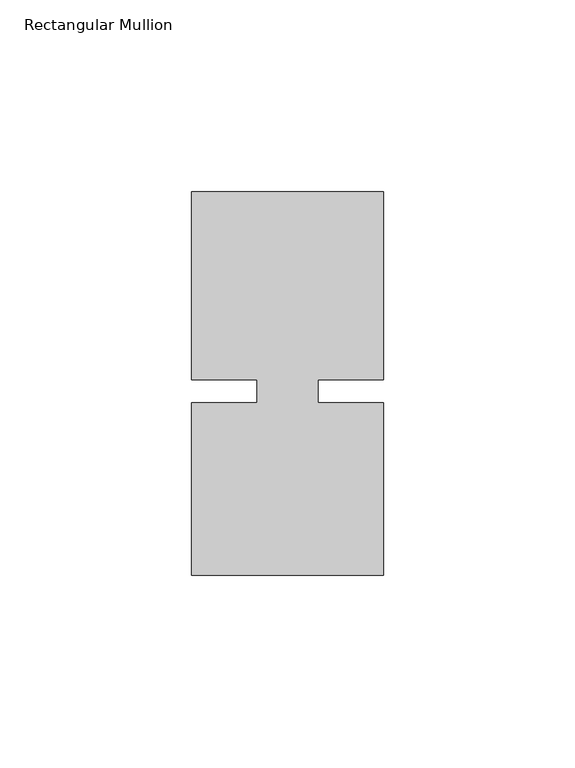
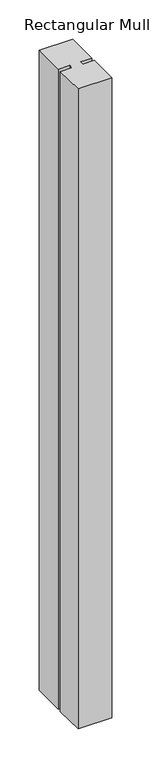
"""IFC4 building model written with IfcOpenShell, lengths in millimetres: member geometry, Rectangular Mullion."""

from ifc_helpers import new_model, si_unit, frame, origin, place, context, project, spatial, polyline, outline, extrude, source, transform, mapped, element, save


def rectangular_mullion_24ca8457(model_context):
    return source(origin(), model_context, "Body", "SweptSolid", [
        extrude(outline(polyline([(8.0004618, -3.0000161), (25.0, -3.000024), (24.9999791, -48.000024), (-25.0000209, -48.0000007), (-25.0, -3.0000007), (-8.0004617, -3.0000086), (-8.0004589, 3.0000086), (-24.9999972, 3.0000166), (-24.9999743, 51.9999993), (25.0000011, 51.9999711), (24.9999734, 2.9999933), (8.0004646, 3.0000012), (8.0004618, -3.0000161)])), frame((0.0, 0.0, -1000.9288599), z_axis=(0.0, 0.0, 1.0), x_axis=(1.0, 0.0, 0.0)), (0.0, 0.0, 1.0), 1000.9288599),
    ])


if __name__ == "__main__":
    model = new_model("IFC4")
    model_context = context("Model", 3, world=origin())
    ifc_project = project(units=[si_unit("LENGTHUNIT", "METRE", prefix="MILLI")], contexts=[model_context])
    site = spatial("IfcSite", under=ifc_project)
    building = spatial("IfcBuilding", under=site)
    placement = place(None, origin())
    rectangular_mullion_shape = rectangular_mullion_24ca8457(model_context)
    element("IfcMember", 1, ObjectType="Rectangular Mullion", at=placement, inside=building, context=model_context, shape_type="MappedRepresentation", body=[
        mapped(rectangular_mullion_shape, transform((0.0, 0.0, 0.0), x_axis=(1.0, 0.0, 0.0), y_axis=(0.0, 1.0, 0.0), z_axis=(0.0, 0.0, 1.0))),
    ])
    save(model, "model.ifc")
